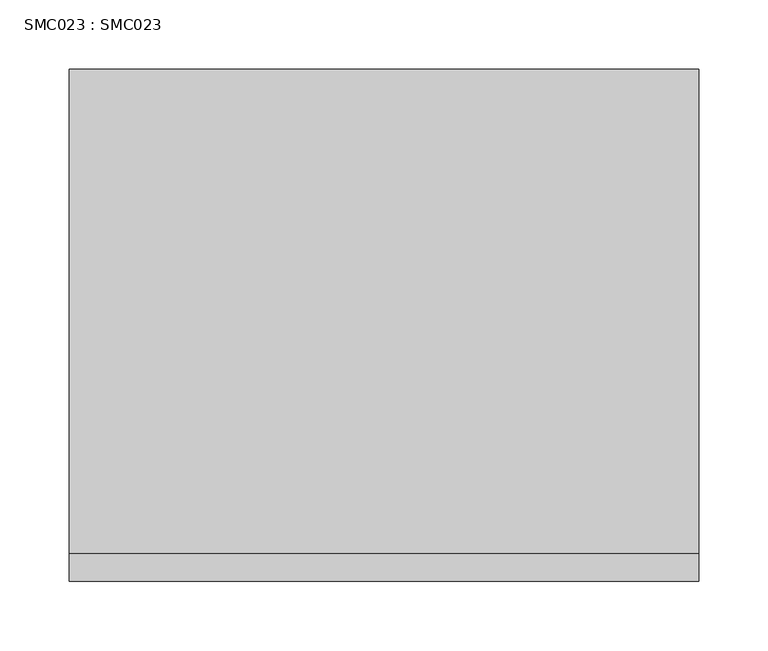
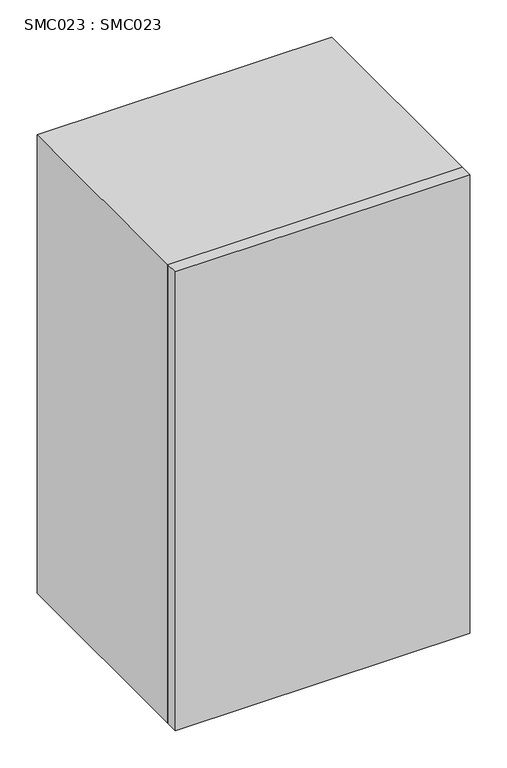
"""IFC4 building model written with IfcOpenShell, lengths in millimetres: proxy geometry, SMC023 : SMC023."""

from ifc_helpers import new_model, si_unit, origin, origin_with_axes, place, context, project, spatial, polyline, outline, extrude, source, transform, mapped, element, save


def smc023_smc023_9f6e26e4(model_context):
    return source(origin(), model_context, "Body", "SweptSolid", [
        extrude(outline(polyline([(454.9999889, -349.9999853), (454.9999889, -370.0), (0.0, -370.0), (0.0, -349.9999853), (454.9999889, -349.9999853)])), origin_with_axes(), (0.0, 0.0, 1.0), 750.0000057),
        extrude(outline(polyline([(454.9999889, 0.0), (454.9999889, -349.9999853), (0.0, -349.9999853), (0.0, 0.0), (454.9999889, 0.0)])), origin_with_axes(), (0.0, 0.0, 1.0), 750.0000057),
    ])


if __name__ == "__main__":
    model = new_model("IFC4")
    model_context = context("Model", 3, world=origin())
    ifc_project = project(units=[si_unit("LENGTHUNIT", "METRE", prefix="MILLI")], contexts=[model_context])
    site = spatial("IfcSite", under=ifc_project)
    building = spatial("IfcBuilding", under=site)
    placement = place(None, origin())
    smc023_smc023_shape = smc023_smc023_9f6e26e4(model_context)
    element("IfcBuildingElementProxy", 1, Name="SMC023 : SMC023", ObjectType="SMC023 : SMC023", at=placement, inside=building, context=model_context, shape_type="MappedRepresentation", body=[
        mapped(smc023_smc023_shape, transform((0.0, 0.0, 0.0), x_axis=(1.0, 0.0, 0.0), y_axis=(0.0, 1.0, 0.0), z_axis=(0.0, 0.0, 1.0))),
    ])
    save(model, "model.ifc")
